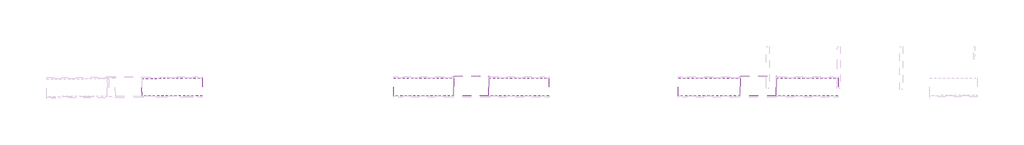
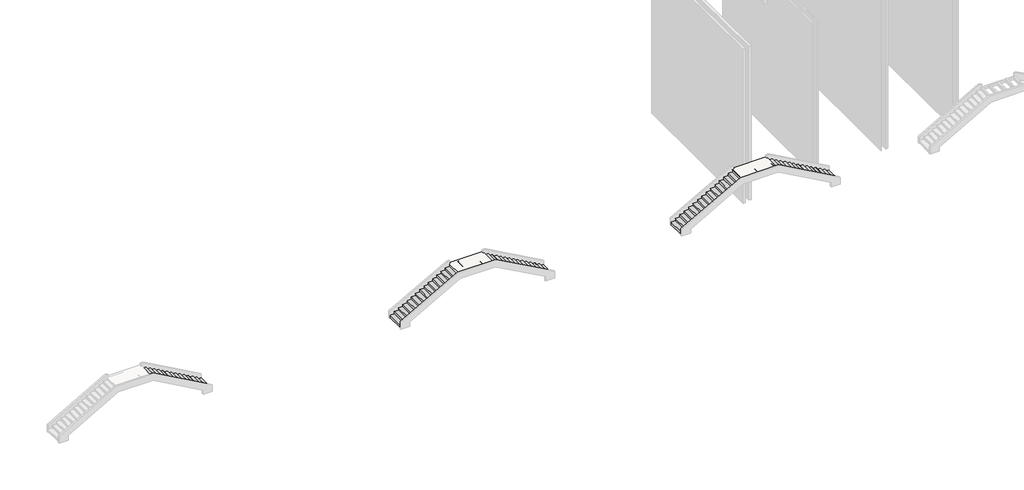
# One storey, part 2 of 9: 5 stair flights, 2 slabs.
"""IFC4 building model written with IfcOpenShell, lengths in millimetres."""

from ifc_helpers import new_model, si_unit, origin, place, context, project, spatial, faceted_brep, element, save

model = new_model("IFC4")

# Units and contexts
model_context = context("Model", 3, world=origin())
ifc_project = project(units=[si_unit("LENGTHUNIT", "METRE", prefix="MILLI")], contexts=[model_context])

# Site, building, storey
site = spatial("IfcSite", under=ifc_project)
building = spatial("IfcBuilding", under=site)
storey = spatial("IfcBuildingStorey", under=building, Elevation=-6062.0)

# Slabs
placement = place(None, origin())
element("IfcSlab", 1, at=placement, inside=storey, context=model_context, shape_type="Brep", body=[
    faceted_brep([(-75826.9262988, 101559.6583737, 20.875), (-75826.9262988, 100357.1127866, 20.875), (-75806.9262988, 100357.1127866, 20.875), (-73491.1832437, 100357.1127866, 20.875), (-73471.1832437, 100357.1127866, 20.875), (-73471.1832437, 101559.6583737, 20.875), (-73471.1832437, 101694.2237982, 20.875), (-75826.9262988, 101688.2107601, 20.875), (-73471.1832437, 100357.1127866, -161.125), (-73471.1832437, 101559.6583737, -161.125), (-73471.1832437, 101559.6583737, 0.875), (-75826.9262988, 101688.2107601, 0.875), (-75826.9262988, 101559.6583737, 0.875), (-75826.9262988, 100357.1127866, -161.125), (-75806.9262988, 100357.1127866, -161.125), (-75806.9262988, 100357.1127866, 0.875), (-73491.1832437, 100357.1127866, 0.875), (-73491.1832437, 100357.1127866, -161.125), (-73491.1832437, 101559.6583737, 0.875), (-75806.9262988, 101559.6583737, 0.875), (-73471.1832437, 101694.2237982, 0.875), (-73491.1832437, 101559.6583737, -161.125), (-75806.9262988, 101559.6583737, -161.125), (-75826.9262988, 101559.6583737, -161.125)], [[[0, 1, 2, 3, 4, 5, 6, 7]], [[5, 4, 8, 9, 10]], [[0, 7, 11, 12]], [[1, 13, 14, 15, 16, 17, 8, 4, 3, 2]], [[10, 18, 16, 15, 19, 12, 11, 20]], [[21, 18, 10, 9]], [[17, 21, 9, 8]], [[21, 17, 16, 18]], [[19, 22, 23, 12]], [[22, 14, 13, 23]], [[14, 22, 19, 15]], [[1, 0, 12, 23, 13]], [[6, 5, 10, 20]], [[7, 6, 20, 11]]]),
])
element("IfcSlab", 2, at=placement, inside=storey, context=model_context, shape_type="Brep", body=[
    faceted_brep([(-56508.2638137, 101559.6583737, 90.875), (-56508.2638137, 100357.1127866, 90.875), (-56488.2638137, 100357.1127866, 90.875), (-54112.5207586, 100357.1127866, 90.875), (-54092.5207586, 100357.1127866, 90.875), (-54092.5207586, 101559.6583737, 90.875), (-54092.5207586, 101688.8580527, 90.875), (-56508.2638137, 101684.782631, 90.875), (-54092.5207586, 100357.1127866, -95.7916667), (-54092.5207586, 101559.6583737, -95.7916667), (-54092.5207586, 101559.6583737, 70.875), (-56508.2638137, 101684.782631, 70.875), (-56508.2638137, 101559.6583737, 70.875), (-56508.2638137, 100357.1127866, -95.7916667), (-56488.2638137, 100357.1127866, -95.7916667), (-56488.2638137, 100357.1127866, 70.875), (-54112.5207586, 100357.1127866, 70.875), (-54112.5207586, 100357.1127866, -95.7916667), (-56488.2638137, 101559.6583737, 70.875), (-54092.5207586, 101688.8580527, 70.875), (-54112.5207586, 101559.6583737, 70.875), (-54112.5207586, 101559.6583737, -95.7916667), (-56488.2638137, 101559.6583737, -95.7916667), (-56508.2638137, 101559.6583737, -95.7916667)], [[[0, 1, 2, 3, 4, 5, 6, 7]], [[5, 4, 8, 9, 10]], [[0, 7, 11, 12]], [[1, 13, 14, 15, 16, 17, 8, 4, 3, 2]], [[18, 12, 11, 19, 10, 20, 16, 15]], [[21, 20, 10, 9]], [[17, 21, 9, 8]], [[21, 17, 16, 20]], [[18, 22, 23, 12]], [[22, 14, 13, 23]], [[14, 22, 18, 15]], [[1, 0, 12, 23, 13]], [[6, 5, 10, 19]], [[7, 6, 19, 11]]]),
])

# Stair flights
element("IfcStairFlight", 3, ObjectType="Rampa_Acciaio_2cm", at=placement, inside=storey, context=model_context, shape_type="Brep", body=[
    faceted_brep([(-79596.9262988, 101559.6583737, -2247.125), (-79886.9262988, 101559.6583737, -2247.125), (-79886.9262988, 100357.1127866, -2247.125), (-79596.9262988, 100357.1127866, -2247.125), (-79596.9262988, 101559.6583737, -2267.125), (-79866.9262988, 101559.6583737, -2267.125), (-79866.9262988, 101559.6583737, -2409.125), (-79886.9262988, 101559.6583737, -2409.125), (-79886.9262988, 100357.1127866, -2409.125), (-79866.9262988, 100357.1127866, -2409.125), (-79866.9262988, 100357.1127866, -2267.125), (-79596.9262988, 100357.1127866, -2267.125), (-79306.9262988, 101559.6583737, -2085.125), (-79596.9262988, 101559.6583737, -2085.125), (-79596.9262988, 100357.1127866, -2085.125), (-79306.9262988, 100357.1127866, -2085.125), (-79306.9262988, 101559.6583737, -2105.125), (-79576.9262988, 101559.6583737, -2105.125), (-79576.9262988, 101559.6583737, -2267.125), (-79576.9262988, 100357.1127866, -2267.125), (-79576.9262988, 100357.1127866, -2105.125), (-79306.9262988, 100357.1127866, -2105.125), (-79016.9262988, 101559.6583737, -1923.125), (-79306.9262988, 101559.6583737, -1923.125), (-79306.9262988, 100357.1127866, -1923.125), (-79016.9262988, 100357.1127866, -1923.125), (-79016.9262988, 101559.6583737, -1943.125), (-79286.9262988, 101559.6583737, -1943.125), (-79286.9262988, 101559.6583737, -2105.125), (-79286.9262988, 100357.1127866, -2105.125), (-79286.9262988, 100357.1127866, -1943.125), (-79016.9262988, 100357.1127866, -1943.125), (-78726.9262988, 101559.6583737, -1761.125), (-79016.9262988, 101559.6583737, -1761.125), (-79016.9262988, 100357.1127866, -1761.125), (-78726.9262988, 100357.1127866, -1761.125), (-78726.9262988, 101559.6583737, -1781.125), (-78996.9262988, 101559.6583737, -1781.125), (-78996.9262988, 101559.6583737, -1943.125), (-78996.9262988, 100357.1127866, -1943.125), (-78996.9262988, 100357.1127866, -1781.125), (-78726.9262988, 100357.1127866, -1781.125), (-78436.9262988, 101559.6583737, -1599.125), (-78726.9262988, 101559.6583737, -1599.125), (-78726.9262988, 100357.1127866, -1599.125), (-78436.9262988, 100357.1127866, -1599.125), (-78436.9262988, 101559.6583737, -1619.125), (-78706.9262988, 101559.6583737, -1619.125), (-78706.9262988, 101559.6583737, -1781.125), (-78706.9262988, 100357.1127866, -1781.125), (-78706.9262988, 100357.1127866, -1619.125), (-78436.9262988, 100357.1127866, -1619.125), (-78146.9262988, 101559.6583737, -1437.125), (-78436.9262988, 101559.6583737, -1437.125), (-78436.9262988, 100357.1127866, -1437.125), (-78146.9262988, 100357.1127866, -1437.125), (-78146.9262988, 101559.6583737, -1457.125), (-78416.9262988, 101559.6583737, -1457.125), (-78416.9262988, 101559.6583737, -1619.125), (-78416.9262988, 100357.1127866, -1619.125), (-78416.9262988, 100357.1127866, -1457.125), (-78146.9262988, 100357.1127866, -1457.125), (-77856.9262988, 101559.6583737, -1275.125), (-78146.9262988, 101559.6583737, -1275.125), (-78146.9262988, 100357.1127866, -1275.125), (-77856.9262988, 100357.1127866, -1275.125), (-77856.9262988, 101559.6583737, -1295.125), (-78126.9262988, 101559.6583737, -1295.125), (-78126.9262988, 101559.6583737, -1457.125), (-78126.9262988, 100357.1127866, -1457.125), (-78126.9262988, 100357.1127866, -1295.125), (-77856.9262988, 100357.1127866, -1295.125), (-77566.9262988, 101559.6583737, -1113.125), (-77856.9262988, 101559.6583737, -1113.125), (-77856.9262988, 100357.1127866, -1113.125), (-77566.9262988, 100357.1127866, -1113.125), (-77566.9262988, 101559.6583737, -1133.125), (-77836.9262988, 101559.6583737, -1133.125), (-77836.9262988, 101559.6583737, -1295.125), (-77836.9262988, 100357.1127866, -1295.125), (-77836.9262988, 100357.1127866, -1133.125), (-77566.9262988, 100357.1127866, -1133.125), (-77276.9262988, 101559.6583737, -951.125), (-77566.9262988, 101559.6583737, -951.125), (-77566.9262988, 100357.1127866, -951.125), (-77276.9262988, 100357.1127866, -951.125), (-77276.9262988, 101559.6583737, -971.125), (-77546.9262988, 101559.6583737, -971.125), (-77546.9262988, 101559.6583737, -1133.125), (-77546.9262988, 100357.1127866, -1133.125), (-77546.9262988, 100357.1127866, -971.125), (-77276.9262988, 100357.1127866, -971.125), (-76986.9262988, 101559.6583737, -789.125), (-77276.9262988, 101559.6583737, -789.125), (-77276.9262988, 100357.1127866, -789.125), (-76986.9262988, 100357.1127866, -789.125), (-76986.9262988, 101559.6583737, -809.125), (-77256.9262988, 101559.6583737, -809.125), (-77256.9262988, 101559.6583737, -971.125), (-77256.9262988, 100357.1127866, -971.125), (-77256.9262988, 100357.1127866, -809.125), (-76986.9262988, 100357.1127866, -809.125), (-76696.9262988, 101559.6583737, -627.125), (-76986.9262988, 101559.6583737, -627.125), (-76986.9262988, 100357.1127866, -627.125), (-76696.9262988, 100357.1127866, -627.125), (-76696.9262988, 101559.6583737, -647.125), (-76966.9262988, 101559.6583737, -647.125), (-76966.9262988, 101559.6583737, -809.125), (-76966.9262988, 100357.1127866, -809.125), (-76966.9262988, 100357.1127866, -647.125), (-76696.9262988, 100357.1127866, -647.125), (-76406.9262988, 101559.6583737, -465.125), (-76696.9262988, 101559.6583737, -465.125), (-76696.9262988, 100357.1127866, -465.125), (-76406.9262988, 100357.1127866, -465.125), (-76406.9262988, 101559.6583737, -485.125), (-76676.9262988, 101559.6583737, -485.125), (-76676.9262988, 101559.6583737, -647.125), (-76676.9262988, 100357.1127866, -647.125), (-76676.9262988, 100357.1127866, -485.125), (-76406.9262988, 100357.1127866, -485.125), (-76116.9262988, 101559.6583737, -303.125), (-76406.9262988, 101559.6583737, -303.125), (-76406.9262988, 100357.1127866, -303.125), (-76116.9262988, 100357.1127866, -303.125), (-76116.9262988, 101559.6583737, -323.125), (-76386.9262988, 101559.6583737, -323.125), (-76386.9262988, 101559.6583737, -485.125), (-76386.9262988, 100357.1127866, -485.125), (-76386.9262988, 100357.1127866, -323.125), (-76116.9262988, 100357.1127866, -323.125), (-76096.9262988, 101559.6583737, -323.125), (-76096.9262988, 100357.1127866, -323.125), (-76096.9262988, 101559.6583737, -161.125), (-76096.9262988, 100357.1127866, -161.125), (-75826.9262988, 101559.6583737, -141.125), (-76116.9262988, 101559.6583737, -141.125), (-76116.9262988, 100357.1127866, -141.125), (-75826.9262988, 100357.1127866, -141.125), (-75826.9262988, 101559.6583737, -161.125), (-75826.9262988, 100357.1127866, -161.125)], [[[0, 1, 2, 3]], [[1, 0, 4, 5, 6, 7]], [[2, 1, 7, 8]], [[3, 2, 8, 9, 10, 11]], [[12, 13, 14, 15]], [[13, 12, 16, 17, 18, 4, 0]], [[0, 3, 14, 13]], [[15, 14, 3, 11, 19, 20, 21]], [[22, 23, 24, 25]], [[23, 22, 26, 27, 28, 16, 12]], [[12, 15, 24, 23]], [[25, 24, 15, 21, 29, 30, 31]], [[32, 33, 34, 35]], [[33, 32, 36, 37, 38, 26, 22]], [[22, 25, 34, 33]], [[35, 34, 25, 31, 39, 40, 41]], [[42, 43, 44, 45]], [[43, 42, 46, 47, 48, 36, 32]], [[32, 35, 44, 43]], [[45, 44, 35, 41, 49, 50, 51]], [[52, 53, 54, 55]], [[53, 52, 56, 57, 58, 46, 42]], [[42, 45, 54, 53]], [[55, 54, 45, 51, 59, 60, 61]], [[62, 63, 64, 65]], [[63, 62, 66, 67, 68, 56, 52]], [[52, 55, 64, 63]], [[65, 64, 55, 61, 69, 70, 71]], [[72, 73, 74, 75]], [[73, 72, 76, 77, 78, 66, 62]], [[62, 65, 74, 73]], [[75, 74, 65, 71, 79, 80, 81]], [[82, 83, 84, 85]], [[83, 82, 86, 87, 88, 76, 72]], [[72, 75, 84, 83]], [[85, 84, 75, 81, 89, 90, 91]], [[92, 93, 94, 95]], [[93, 92, 96, 97, 98, 86, 82]], [[82, 85, 94, 93]], [[95, 94, 85, 91, 99, 100, 101]], [[102, 103, 104, 105]], [[103, 102, 106, 107, 108, 96, 92]], [[92, 95, 104, 103]], [[105, 104, 95, 101, 109, 110, 111]], [[112, 113, 114, 115]], [[113, 112, 116, 117, 118, 106, 102]], [[102, 105, 114, 113]], [[115, 114, 105, 111, 119, 120, 121]], [[122, 123, 124, 125]], [[123, 122, 126, 127, 128, 116, 112]], [[112, 115, 124, 123]], [[125, 124, 115, 121, 129, 130, 131]], [[8, 7, 6, 9]], [[5, 10, 9, 6]], [[18, 19, 11, 10, 5, 4]], [[19, 18, 17, 20]], [[28, 29, 21, 20, 17, 16]], [[29, 28, 27, 30]], [[38, 39, 31, 30, 27, 26]], [[39, 38, 37, 40]], [[48, 49, 41, 40, 37, 36]], [[49, 48, 47, 50]], [[58, 59, 51, 50, 47, 46]], [[59, 58, 57, 60]], [[68, 69, 61, 60, 57, 56]], [[69, 68, 67, 70]], [[78, 79, 71, 70, 67, 66]], [[79, 78, 77, 80]], [[88, 89, 81, 80, 77, 76]], [[89, 88, 87, 90]], [[98, 99, 91, 90, 87, 86]], [[99, 98, 97, 100]], [[108, 109, 101, 100, 97, 96]], [[109, 108, 107, 110]], [[118, 119, 111, 110, 107, 106]], [[119, 118, 117, 120]], [[128, 129, 121, 120, 117, 116]], [[129, 128, 127, 130]], [[132, 133, 131, 130, 127, 126]], [[133, 132, 134, 135]], [[136, 137, 138, 139]], [[137, 136, 140, 134, 132, 126, 122]], [[122, 125, 138, 137]], [[139, 138, 125, 131, 133, 135, 141]], [[136, 139, 141, 140]], [[135, 134, 140, 141]]]),
])
element("IfcStairFlight", 4, ObjectType="Rampa_Acciaio_2cm", at=placement, inside=storey, context=model_context, shape_type="Brep", body=[
    faceted_brep([(-69701.1832437, 100357.1127866, -2247.125), (-69411.1832437, 100357.1127866, -2247.125), (-69411.1832437, 101559.6583737, -2247.125), (-69701.1832437, 101559.6583737, -2247.125), (-69411.1832437, 101559.6583737, -2409.125), (-69431.1832437, 101559.6583737, -2409.125), (-69431.1832437, 101559.6583737, -2267.125), (-69701.1832437, 101559.6583737, -2267.125), (-69411.1832437, 100357.1127866, -2409.125), (-69701.1832437, 100357.1127866, -2267.125), (-69431.1832437, 100357.1127866, -2267.125), (-69431.1832437, 100357.1127866, -2409.125), (-69991.1832437, 100357.1127866, -2085.125), (-69701.1832437, 100357.1127866, -2085.125), (-69701.1832437, 101559.6583737, -2085.125), (-69991.1832437, 101559.6583737, -2085.125), (-69721.1832437, 101559.6583737, -2267.125), (-69721.1832437, 101559.6583737, -2105.125), (-69991.1832437, 101559.6583737, -2105.125), (-69991.1832437, 100357.1127866, -2105.125), (-69721.1832437, 100357.1127866, -2105.125), (-69721.1832437, 100357.1127866, -2267.125), (-70281.1832437, 100357.1127866, -1923.125), (-69991.1832437, 100357.1127866, -1923.125), (-69991.1832437, 101559.6583737, -1923.125), (-70281.1832437, 101559.6583737, -1923.125), (-70011.1832437, 101559.6583737, -2105.125), (-70011.1832437, 101559.6583737, -1943.125), (-70281.1832437, 101559.6583737, -1943.125), (-70281.1832437, 100357.1127866, -1943.125), (-70011.1832437, 100357.1127866, -1943.125), (-70011.1832437, 100357.1127866, -2105.125), (-70571.1832437, 100357.1127866, -1761.125), (-70281.1832437, 100357.1127866, -1761.125), (-70281.1832437, 101559.6583737, -1761.125), (-70571.1832437, 101559.6583737, -1761.125), (-70301.1832437, 101559.6583737, -1943.125), (-70301.1832437, 101559.6583737, -1781.125), (-70571.1832437, 101559.6583737, -1781.125), (-70571.1832437, 100357.1127866, -1781.125), (-70301.1832437, 100357.1127866, -1781.125), (-70301.1832437, 100357.1127866, -1943.125), (-70861.1832437, 100357.1127866, -1599.125), (-70571.1832437, 100357.1127866, -1599.125), (-70571.1832437, 101559.6583737, -1599.125), (-70861.1832437, 101559.6583737, -1599.125), (-70591.1832437, 101559.6583737, -1781.125), (-70591.1832437, 101559.6583737, -1619.125), (-70861.1832437, 101559.6583737, -1619.125), (-70861.1832437, 100357.1127866, -1619.125), (-70591.1832437, 100357.1127866, -1619.125), (-70591.1832437, 100357.1127866, -1781.125), (-71151.1832437, 100357.1127866, -1437.125), (-70861.1832437, 100357.1127866, -1437.125), (-70861.1832437, 101559.6583737, -1437.125), (-71151.1832437, 101559.6583737, -1437.125), (-70881.1832437, 101559.6583737, -1619.125), (-70881.1832437, 101559.6583737, -1457.125), (-71151.1832437, 101559.6583737, -1457.125), (-71151.1832437, 100357.1127866, -1457.125), (-70881.1832437, 100357.1127866, -1457.125), (-70881.1832437, 100357.1127866, -1619.125), (-71441.1832437, 100357.1127866, -1275.125), (-71151.1832437, 100357.1127866, -1275.125), (-71151.1832437, 101559.6583737, -1275.125), (-71441.1832437, 101559.6583737, -1275.125), (-71171.1832437, 101559.6583737, -1457.125), (-71171.1832437, 101559.6583737, -1295.125), (-71441.1832437, 101559.6583737, -1295.125), (-71441.1832437, 100357.1127866, -1295.125), (-71171.1832437, 100357.1127866, -1295.125), (-71171.1832437, 100357.1127866, -1457.125), (-71731.1832437, 100357.1127866, -1113.125), (-71441.1832437, 100357.1127866, -1113.125), (-71441.1832437, 101559.6583737, -1113.125), (-71731.1832437, 101559.6583737, -1113.125), (-71461.1832437, 101559.6583737, -1295.125), (-71461.1832437, 101559.6583737, -1133.125), (-71731.1832437, 101559.6583737, -1133.125), (-71731.1832437, 100357.1127866, -1133.125), (-71461.1832437, 100357.1127866, -1133.125), (-71461.1832437, 100357.1127866, -1295.125), (-72021.1832437, 100357.1127866, -951.125), (-71731.1832437, 100357.1127866, -951.125), (-71731.1832437, 101559.6583737, -951.125), (-72021.1832437, 101559.6583737, -951.125), (-71751.1832437, 101559.6583737, -1133.125), (-71751.1832437, 101559.6583737, -971.125), (-72021.1832437, 101559.6583737, -971.125), (-72021.1832437, 100357.1127866, -971.125), (-71751.1832437, 100357.1127866, -971.125), (-71751.1832437, 100357.1127866, -1133.125), (-72311.1832437, 100357.1127866, -789.125), (-72021.1832437, 100357.1127866, -789.125), (-72021.1832437, 101559.6583737, -789.125), (-72311.1832437, 101559.6583737, -789.125), (-72041.1832437, 101559.6583737, -971.125), (-72041.1832437, 101559.6583737, -809.125), (-72311.1832437, 101559.6583737, -809.125), (-72311.1832437, 100357.1127866, -809.125), (-72041.1832437, 100357.1127866, -809.125), (-72041.1832437, 100357.1127866, -971.125), (-72601.1832437, 100357.1127866, -627.125), (-72311.1832437, 100357.1127866, -627.125), (-72311.1832437, 101559.6583737, -627.125), (-72601.1832437, 101559.6583737, -627.125), (-72331.1832437, 101559.6583737, -809.125), (-72331.1832437, 101559.6583737, -647.125), (-72601.1832437, 101559.6583737, -647.125), (-72601.1832437, 100357.1127866, -647.125), (-72331.1832437, 100357.1127866, -647.125), (-72331.1832437, 100357.1127866, -809.125), (-72891.1832437, 100357.1127866, -465.125), (-72601.1832437, 100357.1127866, -465.125), (-72601.1832437, 101559.6583737, -465.125), (-72891.1832437, 101559.6583737, -465.125), (-72621.1832437, 101559.6583737, -647.125), (-72621.1832437, 101559.6583737, -485.125), (-72891.1832437, 101559.6583737, -485.125), (-72891.1832437, 100357.1127866, -485.125), (-72621.1832437, 100357.1127866, -485.125), (-72621.1832437, 100357.1127866, -647.125), (-73181.1832437, 100357.1127866, -303.125), (-72891.1832437, 100357.1127866, -303.125), (-72891.1832437, 101559.6583737, -303.125), (-73181.1832437, 101559.6583737, -303.125), (-72911.1832437, 101559.6583737, -485.125), (-72911.1832437, 101559.6583737, -323.125), (-73181.1832437, 101559.6583737, -323.125), (-73181.1832437, 100357.1127866, -323.125), (-72911.1832437, 100357.1127866, -323.125), (-72911.1832437, 100357.1127866, -485.125), (-73471.1832437, 100357.1127866, -141.125), (-73181.1832437, 100357.1127866, -141.125), (-73181.1832437, 101559.6583737, -141.125), (-73471.1832437, 101559.6583737, -141.125), (-73201.1832437, 101559.6583737, -323.125), (-73201.1832437, 101559.6583737, -161.125), (-73471.1832437, 101559.6583737, -161.125), (-73471.1832437, 100357.1127866, -161.125), (-73201.1832437, 100357.1127866, -161.125), (-73201.1832437, 100357.1127866, -323.125)], [[[0, 1, 2, 3]], [[3, 2, 4, 5, 6, 7]], [[2, 1, 8, 4]], [[1, 0, 9, 10, 11, 8]], [[12, 13, 14, 15]], [[15, 14, 3, 7, 16, 17, 18]], [[0, 3, 14, 13]], [[13, 12, 19, 20, 21, 9, 0]], [[22, 23, 24, 25]], [[25, 24, 15, 18, 26, 27, 28]], [[12, 15, 24, 23]], [[23, 22, 29, 30, 31, 19, 12]], [[32, 33, 34, 35]], [[35, 34, 25, 28, 36, 37, 38]], [[22, 25, 34, 33]], [[33, 32, 39, 40, 41, 29, 22]], [[42, 43, 44, 45]], [[45, 44, 35, 38, 46, 47, 48]], [[32, 35, 44, 43]], [[43, 42, 49, 50, 51, 39, 32]], [[52, 53, 54, 55]], [[55, 54, 45, 48, 56, 57, 58]], [[42, 45, 54, 53]], [[53, 52, 59, 60, 61, 49, 42]], [[62, 63, 64, 65]], [[65, 64, 55, 58, 66, 67, 68]], [[52, 55, 64, 63]], [[63, 62, 69, 70, 71, 59, 52]], [[72, 73, 74, 75]], [[75, 74, 65, 68, 76, 77, 78]], [[62, 65, 74, 73]], [[73, 72, 79, 80, 81, 69, 62]], [[82, 83, 84, 85]], [[85, 84, 75, 78, 86, 87, 88]], [[72, 75, 84, 83]], [[83, 82, 89, 90, 91, 79, 72]], [[92, 93, 94, 95]], [[95, 94, 85, 88, 96, 97, 98]], [[82, 85, 94, 93]], [[93, 92, 99, 100, 101, 89, 82]], [[102, 103, 104, 105]], [[105, 104, 95, 98, 106, 107, 108]], [[92, 95, 104, 103]], [[103, 102, 109, 110, 111, 99, 92]], [[112, 113, 114, 115]], [[115, 114, 105, 108, 116, 117, 118]], [[102, 105, 114, 113]], [[113, 112, 119, 120, 121, 109, 102]], [[122, 123, 124, 125]], [[125, 124, 115, 118, 126, 127, 128]], [[112, 115, 124, 123]], [[123, 122, 129, 130, 131, 119, 112]], [[4, 8, 11, 5]], [[132, 133, 134, 135]], [[135, 134, 125, 128, 136, 137, 138]], [[122, 125, 134, 133]], [[133, 132, 139, 140, 141, 129, 122]], [[132, 135, 138, 139]], [[10, 6, 5, 11]], [[21, 16, 7, 6, 10, 9]], [[16, 21, 20, 17]], [[31, 26, 18, 17, 20, 19]], [[26, 31, 30, 27]], [[41, 36, 28, 27, 30, 29]], [[36, 41, 40, 37]], [[51, 46, 38, 37, 40, 39]], [[46, 51, 50, 47]], [[61, 56, 48, 47, 50, 49]], [[56, 61, 60, 57]], [[71, 66, 58, 57, 60, 59]], [[66, 71, 70, 67]], [[81, 76, 68, 67, 70, 69]], [[76, 81, 80, 77]], [[91, 86, 78, 77, 80, 79]], [[86, 91, 90, 87]], [[101, 96, 88, 87, 90, 89]], [[96, 101, 100, 97]], [[111, 106, 98, 97, 100, 99]], [[106, 111, 110, 107]], [[121, 116, 108, 107, 110, 109]], [[116, 121, 120, 117]], [[131, 126, 118, 117, 120, 119]], [[126, 131, 130, 127]], [[141, 136, 128, 127, 130, 129]], [[136, 141, 140, 137]], [[137, 140, 139, 138]]]),
])
element("IfcStairFlight", 5, ObjectType="Rampa_Acciaio_2cm", at=placement, inside=storey, context=model_context, shape_type="Brep", body=[
    faceted_brep([(-60395.2638137, 101559.6583737, -2242.4583333), (-60694.2638137, 101559.6583737, -2242.4583333), (-60694.2638137, 100357.1127866, -2242.4583333), (-60395.2638137, 100357.1127866, -2242.4583333), (-60395.2638137, 101559.6583737, -2262.4583333), (-60674.2638137, 101559.6583737, -2262.4583333), (-60674.2638137, 101559.6583737, -2409.125), (-60694.2638137, 101559.6583737, -2409.125), (-60694.2638137, 100357.1127866, -2409.125), (-60674.2638137, 100357.1127866, -2409.125), (-60674.2638137, 100357.1127866, -2262.4583333), (-60395.2638137, 100357.1127866, -2262.4583333), (-60096.2638137, 101559.6583737, -2075.7916667), (-60395.2638137, 101559.6583737, -2075.7916667), (-60395.2638137, 100357.1127866, -2075.7916667), (-60096.2638137, 100357.1127866, -2075.7916667), (-60096.2638137, 101559.6583737, -2095.7916667), (-60375.2638137, 101559.6583737, -2095.7916667), (-60375.2638137, 101559.6583737, -2262.4583333), (-60375.2638137, 100357.1127866, -2262.4583333), (-60375.2638137, 100357.1127866, -2095.7916667), (-60096.2638137, 100357.1127866, -2095.7916667), (-59797.2638137, 101559.6583737, -1909.125), (-60096.2638137, 101559.6583737, -1909.125), (-60096.2638137, 100357.1127866, -1909.125), (-59797.2638137, 100357.1127866, -1909.125), (-59797.2638137, 101559.6583737, -1929.125), (-60076.2638137, 101559.6583737, -1929.125), (-60076.2638137, 101559.6583737, -2095.7916667), (-60076.2638137, 100357.1127866, -2095.7916667), (-60076.2638137, 100357.1127866, -1929.125), (-59797.2638137, 100357.1127866, -1929.125), (-59498.2638137, 101559.6583737, -1742.4583333), (-59797.2638137, 101559.6583737, -1742.4583333), (-59797.2638137, 100357.1127866, -1742.4583333), (-59498.2638137, 100357.1127866, -1742.4583333), (-59498.2638137, 101559.6583737, -1762.4583333), (-59777.2638137, 101559.6583737, -1762.4583333), (-59777.2638137, 101559.6583737, -1929.125), (-59777.2638137, 100357.1127866, -1929.125), (-59777.2638137, 100357.1127866, -1762.4583333), (-59498.2638137, 100357.1127866, -1762.4583333), (-59199.2638137, 101559.6583737, -1575.7916667), (-59498.2638137, 101559.6583737, -1575.7916667), (-59498.2638137, 100357.1127866, -1575.7916667), (-59199.2638137, 100357.1127866, -1575.7916667), (-59199.2638137, 101559.6583737, -1595.7916667), (-59478.2638137, 101559.6583737, -1595.7916667), (-59478.2638137, 101559.6583737, -1762.4583333), (-59478.2638137, 100357.1127866, -1762.4583333), (-59478.2638137, 100357.1127866, -1595.7916667), (-59199.2638137, 100357.1127866, -1595.7916667), (-58900.2638137, 101559.6583737, -1409.125), (-59199.2638137, 101559.6583737, -1409.125), (-59199.2638137, 100357.1127866, -1409.125), (-58900.2638137, 100357.1127866, -1409.125), (-58900.2638137, 101559.6583737, -1429.125), (-59179.2638137, 101559.6583737, -1429.125), (-59179.2638137, 101559.6583737, -1595.7916667), (-59179.2638137, 100357.1127866, -1595.7916667), (-59179.2638137, 100357.1127866, -1429.125), (-58900.2638137, 100357.1127866, -1429.125), (-58601.2638137, 101559.6583737, -1242.4583333), (-58900.2638137, 101559.6583737, -1242.4583333), (-58900.2638137, 100357.1127866, -1242.4583333), (-58601.2638137, 100357.1127866, -1242.4583333), (-58601.2638137, 101559.6583737, -1262.4583333), (-58880.2638137, 101559.6583737, -1262.4583333), (-58880.2638137, 101559.6583737, -1429.125), (-58880.2638137, 100357.1127866, -1429.125), (-58880.2638137, 100357.1127866, -1262.4583333), (-58601.2638137, 100357.1127866, -1262.4583333), (-58302.2638137, 101559.6583737, -1075.7916667), (-58601.2638137, 101559.6583737, -1075.7916667), (-58601.2638137, 100357.1127866, -1075.7916667), (-58302.2638137, 100357.1127866, -1075.7916667), (-58302.2638137, 101559.6583737, -1095.7916667), (-58581.2638137, 101559.6583737, -1095.7916667), (-58581.2638137, 101559.6583737, -1262.4583333), (-58581.2638137, 100357.1127866, -1262.4583333), (-58581.2638137, 100357.1127866, -1095.7916667), (-58302.2638137, 100357.1127866, -1095.7916667), (-58003.2638137, 101559.6583737, -909.125), (-58302.2638137, 101559.6583737, -909.125), (-58302.2638137, 100357.1127866, -909.125), (-58003.2638137, 100357.1127866, -909.125), (-58003.2638137, 101559.6583737, -929.125), (-58282.2638137, 101559.6583737, -929.125), (-58282.2638137, 101559.6583737, -1095.7916667), (-58282.2638137, 100357.1127866, -1095.7916667), (-58282.2638137, 100357.1127866, -929.125), (-58003.2638137, 100357.1127866, -929.125), (-57704.2638137, 101559.6583737, -742.4583333), (-58003.2638137, 101559.6583737, -742.4583333), (-58003.2638137, 100357.1127866, -742.4583333), (-57704.2638137, 100357.1127866, -742.4583333), (-57704.2638137, 101559.6583737, -762.4583333), (-57983.2638137, 101559.6583737, -762.4583333), (-57983.2638137, 101559.6583737, -929.125), (-57983.2638137, 100357.1127866, -929.125), (-57983.2638137, 100357.1127866, -762.4583333), (-57704.2638137, 100357.1127866, -762.4583333), (-57405.2638137, 101559.6583737, -575.7916667), (-57704.2638137, 101559.6583737, -575.7916667), (-57704.2638137, 100357.1127866, -575.7916667), (-57405.2638137, 100357.1127866, -575.7916667), (-57405.2638137, 101559.6583737, -595.7916667), (-57684.2638137, 101559.6583737, -595.7916667), (-57684.2638137, 101559.6583737, -762.4583333), (-57684.2638137, 100357.1127866, -762.4583333), (-57684.2638137, 100357.1127866, -595.7916667), (-57405.2638137, 100357.1127866, -595.7916667), (-57106.2638137, 101559.6583737, -409.125), (-57405.2638137, 101559.6583737, -409.125), (-57405.2638137, 100357.1127866, -409.125), (-57106.2638137, 100357.1127866, -409.125), (-57106.2638137, 101559.6583737, -429.125), (-57385.2638137, 101559.6583737, -429.125), (-57385.2638137, 101559.6583737, -595.7916667), (-57385.2638137, 100357.1127866, -595.7916667), (-57385.2638137, 100357.1127866, -429.125), (-57106.2638137, 100357.1127866, -429.125), (-56807.2638137, 101559.6583737, -242.4583333), (-57106.2638137, 101559.6583737, -242.4583333), (-57106.2638137, 100357.1127866, -242.4583333), (-56807.2638137, 100357.1127866, -242.4583333), (-56807.2638137, 101559.6583737, -262.4583333), (-57086.2638137, 101559.6583737, -262.4583333), (-57086.2638137, 101559.6583737, -429.125), (-57086.2638137, 100357.1127866, -429.125), (-57086.2638137, 100357.1127866, -262.4583333), (-56807.2638137, 100357.1127866, -262.4583333), (-56787.2638137, 101559.6583737, -262.4583333), (-56787.2638137, 100357.1127866, -262.4583333), (-56787.2638137, 101559.6583737, -95.7916667), (-56787.2638137, 100357.1127866, -95.7916667), (-56508.2638137, 101559.6583737, -75.7916667), (-56807.2638137, 101559.6583737, -75.7916667), (-56807.2638137, 100357.1127866, -75.7916667), (-56508.2638137, 100357.1127866, -75.7916667), (-56508.2638137, 101559.6583737, -95.7916667), (-56508.2638137, 100357.1127866, -95.7916667)], [[[0, 1, 2, 3]], [[1, 0, 4, 5, 6, 7]], [[2, 1, 7, 8]], [[3, 2, 8, 9, 10, 11]], [[12, 13, 14, 15]], [[13, 12, 16, 17, 18, 4, 0]], [[0, 3, 14, 13]], [[15, 14, 3, 11, 19, 20, 21]], [[22, 23, 24, 25]], [[23, 22, 26, 27, 28, 16, 12]], [[12, 15, 24, 23]], [[25, 24, 15, 21, 29, 30, 31]], [[32, 33, 34, 35]], [[33, 32, 36, 37, 38, 26, 22]], [[22, 25, 34, 33]], [[35, 34, 25, 31, 39, 40, 41]], [[42, 43, 44, 45]], [[43, 42, 46, 47, 48, 36, 32]], [[32, 35, 44, 43]], [[45, 44, 35, 41, 49, 50, 51]], [[52, 53, 54, 55]], [[53, 52, 56, 57, 58, 46, 42]], [[42, 45, 54, 53]], [[55, 54, 45, 51, 59, 60, 61]], [[62, 63, 64, 65]], [[63, 62, 66, 67, 68, 56, 52]], [[52, 55, 64, 63]], [[65, 64, 55, 61, 69, 70, 71]], [[72, 73, 74, 75]], [[73, 72, 76, 77, 78, 66, 62]], [[62, 65, 74, 73]], [[75, 74, 65, 71, 79, 80, 81]], [[82, 83, 84, 85]], [[83, 82, 86, 87, 88, 76, 72]], [[72, 75, 84, 83]], [[85, 84, 75, 81, 89, 90, 91]], [[92, 93, 94, 95]], [[93, 92, 96, 97, 98, 86, 82]], [[82, 85, 94, 93]], [[95, 94, 85, 91, 99, 100, 101]], [[102, 103, 104, 105]], [[103, 102, 106, 107, 108, 96, 92]], [[92, 95, 104, 103]], [[105, 104, 95, 101, 109, 110, 111]], [[112, 113, 114, 115]], [[113, 112, 116, 117, 118, 106, 102]], [[102, 105, 114, 113]], [[115, 114, 105, 111, 119, 120, 121]], [[122, 123, 124, 125]], [[123, 122, 126, 127, 128, 116, 112]], [[112, 115, 124, 123]], [[125, 124, 115, 121, 129, 130, 131]], [[8, 7, 6, 9]], [[5, 10, 9, 6]], [[18, 19, 11, 10, 5, 4]], [[19, 18, 17, 20]], [[28, 29, 21, 20, 17, 16]], [[29, 28, 27, 30]], [[38, 39, 31, 30, 27, 26]], [[39, 38, 37, 40]], [[48, 49, 41, 40, 37, 36]], [[49, 48, 47, 50]], [[58, 59, 51, 50, 47, 46]], [[59, 58, 57, 60]], [[68, 69, 61, 60, 57, 56]], [[69, 68, 67, 70]], [[78, 79, 71, 70, 67, 66]], [[79, 78, 77, 80]], [[88, 89, 81, 80, 77, 76]], [[89, 88, 87, 90]], [[98, 99, 91, 90, 87, 86]], [[99, 98, 97, 100]], [[108, 109, 101, 100, 97, 96]], [[109, 108, 107, 110]], [[118, 119, 111, 110, 107, 106]], [[119, 118, 117, 120]], [[128, 129, 121, 120, 117, 116]], [[129, 128, 127, 130]], [[132, 133, 131, 130, 127, 126]], [[133, 132, 134, 135]], [[136, 137, 138, 139]], [[137, 136, 140, 134, 132, 126, 122]], [[122, 125, 138, 137]], [[139, 138, 125, 131, 133, 135, 141]], [[136, 139, 141, 140]], [[135, 134, 140, 141]]]),
])
element("IfcStairFlight", 6, ObjectType="Rampa_Acciaio_2cm", at=placement, inside=storey, context=model_context, shape_type="Brep", body=[
    faceted_brep([(-50205.5207586, 100357.1127866, -2242.4583333), (-49906.5207586, 100357.1127866, -2242.4583333), (-49906.5207586, 101559.6583737, -2242.4583333), (-50205.5207586, 101559.6583737, -2242.4583333), (-49906.5207586, 101559.6583737, -2409.125), (-49926.5207586, 101559.6583737, -2409.125), (-49926.5207586, 101559.6583737, -2262.4583333), (-50205.5207586, 101559.6583737, -2262.4583333), (-49906.5207586, 100357.1127866, -2409.125), (-50205.5207586, 100357.1127866, -2262.4583333), (-49926.5207586, 100357.1127866, -2262.4583333), (-49926.5207586, 100357.1127866, -2409.125), (-50504.5207586, 100357.1127866, -2075.7916667), (-50205.5207586, 100357.1127866, -2075.7916667), (-50205.5207586, 101559.6583737, -2075.7916667), (-50504.5207586, 101559.6583737, -2075.7916667), (-50225.5207586, 101559.6583737, -2262.4583333), (-50225.5207586, 101559.6583737, -2095.7916667), (-50504.5207586, 101559.6583737, -2095.7916667), (-50504.5207586, 100357.1127866, -2095.7916667), (-50225.5207586, 100357.1127866, -2095.7916667), (-50225.5207586, 100357.1127866, -2262.4583333), (-50803.5207586, 100357.1127866, -1909.125), (-50504.5207586, 100357.1127866, -1909.125), (-50504.5207586, 101559.6583737, -1909.125), (-50803.5207586, 101559.6583737, -1909.125), (-50524.5207586, 101559.6583737, -2095.7916667), (-50524.5207586, 101559.6583737, -1929.125), (-50803.5207586, 101559.6583737, -1929.125), (-50803.5207586, 100357.1127866, -1929.125), (-50524.5207586, 100357.1127866, -1929.125), (-50524.5207586, 100357.1127866, -2095.7916667), (-51102.5207586, 100357.1127866, -1742.4583333), (-50803.5207586, 100357.1127866, -1742.4583333), (-50803.5207586, 101559.6583737, -1742.4583333), (-51102.5207586, 101559.6583737, -1742.4583333), (-50823.5207586, 101559.6583737, -1929.125), (-50823.5207586, 101559.6583737, -1762.4583333), (-51102.5207586, 101559.6583737, -1762.4583333), (-51102.5207586, 100357.1127866, -1762.4583333), (-50823.5207586, 100357.1127866, -1762.4583333), (-50823.5207586, 100357.1127866, -1929.125), (-51401.5207586, 100357.1127866, -1575.7916667), (-51102.5207586, 100357.1127866, -1575.7916667), (-51102.5207586, 101559.6583737, -1575.7916667), (-51401.5207586, 101559.6583737, -1575.7916667), (-51122.5207586, 101559.6583737, -1762.4583333), (-51122.5207586, 101559.6583737, -1595.7916667), (-51401.5207586, 101559.6583737, -1595.7916667), (-51401.5207586, 100357.1127866, -1595.7916667), (-51122.5207586, 100357.1127866, -1595.7916667), (-51122.5207586, 100357.1127866, -1762.4583333), (-51700.5207586, 100357.1127866, -1409.125), (-51401.5207586, 100357.1127866, -1409.125), (-51401.5207586, 101559.6583737, -1409.125), (-51700.5207586, 101559.6583737, -1409.125), (-51421.5207586, 101559.6583737, -1595.7916667), (-51421.5207586, 101559.6583737, -1429.125), (-51700.5207586, 101559.6583737, -1429.125), (-51700.5207586, 100357.1127866, -1429.125), (-51421.5207586, 100357.1127866, -1429.125), (-51421.5207586, 100357.1127866, -1595.7916667), (-51999.5207586, 100357.1127866, -1242.4583333), (-51700.5207586, 100357.1127866, -1242.4583333), (-51700.5207586, 101559.6583737, -1242.4583333), (-51999.5207586, 101559.6583737, -1242.4583333), (-51720.5207586, 101559.6583737, -1429.125), (-51720.5207586, 101559.6583737, -1262.4583333), (-51999.5207586, 101559.6583737, -1262.4583333), (-51999.5207586, 100357.1127866, -1262.4583333), (-51720.5207586, 100357.1127866, -1262.4583333), (-51720.5207586, 100357.1127866, -1429.125), (-52298.5207586, 100357.1127866, -1075.7916667), (-51999.5207586, 100357.1127866, -1075.7916667), (-51999.5207586, 101559.6583737, -1075.7916667), (-52298.5207586, 101559.6583737, -1075.7916667), (-52019.5207586, 101559.6583737, -1262.4583333), (-52019.5207586, 101559.6583737, -1095.7916667), (-52298.5207586, 101559.6583737, -1095.7916667), (-52298.5207586, 100357.1127866, -1095.7916667), (-52019.5207586, 100357.1127866, -1095.7916667), (-52019.5207586, 100357.1127866, -1262.4583333), (-52597.5207586, 100357.1127866, -909.125), (-52298.5207586, 100357.1127866, -909.125), (-52298.5207586, 101559.6583737, -909.125), (-52597.5207586, 101559.6583737, -909.125), (-52318.5207586, 101559.6583737, -1095.7916667), (-52318.5207586, 101559.6583737, -929.125), (-52597.5207586, 101559.6583737, -929.125), (-52597.5207586, 100357.1127866, -929.125), (-52318.5207586, 100357.1127866, -929.125), (-52318.5207586, 100357.1127866, -1095.7916667), (-52896.5207586, 100357.1127866, -742.4583333), (-52597.5207586, 100357.1127866, -742.4583333), (-52597.5207586, 101559.6583737, -742.4583333), (-52896.5207586, 101559.6583737, -742.4583333), (-52617.5207586, 101559.6583737, -929.125), (-52617.5207586, 101559.6583737, -762.4583333), (-52896.5207586, 101559.6583737, -762.4583333), (-52896.5207586, 100357.1127866, -762.4583333), (-52617.5207586, 100357.1127866, -762.4583333), (-52617.5207586, 100357.1127866, -929.125), (-53195.5207586, 100357.1127866, -575.7916667), (-52896.5207586, 100357.1127866, -575.7916667), (-52896.5207586, 101559.6583737, -575.7916667), (-53195.5207586, 101559.6583737, -575.7916667), (-52916.5207586, 101559.6583737, -762.4583333), (-52916.5207586, 101559.6583737, -595.7916667), (-53195.5207586, 101559.6583737, -595.7916667), (-53195.5207586, 100357.1127866, -595.7916667), (-52916.5207586, 100357.1127866, -595.7916667), (-52916.5207586, 100357.1127866, -762.4583333), (-53494.5207586, 100357.1127866, -409.125), (-53195.5207586, 100357.1127866, -409.125), (-53195.5207586, 101559.6583737, -409.125), (-53494.5207586, 101559.6583737, -409.125), (-53215.5207586, 101559.6583737, -595.7916667), (-53215.5207586, 101559.6583737, -429.125), (-53494.5207586, 101559.6583737, -429.125), (-53494.5207586, 100357.1127866, -429.125), (-53215.5207586, 100357.1127866, -429.125), (-53215.5207586, 100357.1127866, -595.7916667), (-53793.5207586, 100357.1127866, -242.4583333), (-53494.5207586, 100357.1127866, -242.4583333), (-53494.5207586, 101559.6583737, -242.4583333), (-53793.5207586, 101559.6583737, -242.4583333), (-53514.5207586, 101559.6583737, -429.125), (-53514.5207586, 101559.6583737, -262.4583333), (-53793.5207586, 101559.6583737, -262.4583333), (-53793.5207586, 100357.1127866, -262.4583333), (-53514.5207586, 100357.1127866, -262.4583333), (-53514.5207586, 100357.1127866, -429.125), (-54092.5207586, 100357.1127866, -75.7916667), (-53793.5207586, 100357.1127866, -75.7916667), (-53793.5207586, 101559.6583737, -75.7916667), (-54092.5207586, 101559.6583737, -75.7916667), (-53813.5207586, 101559.6583737, -262.4583333), (-53813.5207586, 101559.6583737, -95.7916667), (-54092.5207586, 101559.6583737, -95.7916667), (-54092.5207586, 100357.1127866, -95.7916667), (-53813.5207586, 100357.1127866, -95.7916667), (-53813.5207586, 100357.1127866, -262.4583333)], [[[0, 1, 2, 3]], [[3, 2, 4, 5, 6, 7]], [[2, 1, 8, 4]], [[1, 0, 9, 10, 11, 8]], [[12, 13, 14, 15]], [[15, 14, 3, 7, 16, 17, 18]], [[0, 3, 14, 13]], [[13, 12, 19, 20, 21, 9, 0]], [[22, 23, 24, 25]], [[25, 24, 15, 18, 26, 27, 28]], [[12, 15, 24, 23]], [[23, 22, 29, 30, 31, 19, 12]], [[32, 33, 34, 35]], [[35, 34, 25, 28, 36, 37, 38]], [[22, 25, 34, 33]], [[33, 32, 39, 40, 41, 29, 22]], [[42, 43, 44, 45]], [[45, 44, 35, 38, 46, 47, 48]], [[32, 35, 44, 43]], [[43, 42, 49, 50, 51, 39, 32]], [[52, 53, 54, 55]], [[55, 54, 45, 48, 56, 57, 58]], [[42, 45, 54, 53]], [[53, 52, 59, 60, 61, 49, 42]], [[62, 63, 64, 65]], [[65, 64, 55, 58, 66, 67, 68]], [[52, 55, 64, 63]], [[63, 62, 69, 70, 71, 59, 52]], [[72, 73, 74, 75]], [[75, 74, 65, 68, 76, 77, 78]], [[62, 65, 74, 73]], [[73, 72, 79, 80, 81, 69, 62]], [[82, 83, 84, 85]], [[85, 84, 75, 78, 86, 87, 88]], [[72, 75, 84, 83]], [[83, 82, 89, 90, 91, 79, 72]], [[92, 93, 94, 95]], [[95, 94, 85, 88, 96, 97, 98]], [[82, 85, 94, 93]], [[93, 92, 99, 100, 101, 89, 82]], [[102, 103, 104, 105]], [[105, 104, 95, 98, 106, 107, 108]], [[92, 95, 104, 103]], [[103, 102, 109, 110, 111, 99, 92]], [[112, 113, 114, 115]], [[115, 114, 105, 108, 116, 117, 118]], [[102, 105, 114, 113]], [[113, 112, 119, 120, 121, 109, 102]], [[122, 123, 124, 125]], [[125, 124, 115, 118, 126, 127, 128]], [[112, 115, 124, 123]], [[123, 122, 129, 130, 131, 119, 112]], [[4, 8, 11, 5]], [[132, 133, 134, 135]], [[135, 134, 125, 128, 136, 137, 138]], [[122, 125, 134, 133]], [[133, 132, 139, 140, 141, 129, 122]], [[132, 135, 138, 139]], [[10, 6, 5, 11]], [[21, 16, 7, 6, 10, 9]], [[16, 21, 20, 17]], [[31, 26, 18, 17, 20, 19]], [[26, 31, 30, 27]], [[41, 36, 28, 27, 30, 29]], [[36, 41, 40, 37]], [[51, 46, 38, 37, 40, 39]], [[46, 51, 50, 47]], [[61, 56, 48, 47, 50, 49]], [[56, 61, 60, 57]], [[71, 66, 58, 57, 60, 59]], [[66, 71, 70, 67]], [[81, 76, 68, 67, 70, 69]], [[76, 81, 80, 77]], [[91, 86, 78, 77, 80, 79]], [[86, 91, 90, 87]], [[101, 96, 88, 87, 90, 89]], [[96, 101, 100, 97]], [[111, 106, 98, 97, 100, 99]], [[106, 111, 110, 107]], [[121, 116, 108, 107, 110, 109]], [[116, 121, 120, 117]], [[131, 126, 118, 117, 120, 119]], [[126, 131, 130, 127]], [[141, 136, 128, 127, 130, 129]], [[136, 141, 140, 137]], [[137, 140, 139, 138]]]),
])
element("IfcStairFlight", 7, ObjectType="Rampa_Acciaio_2cm", at=placement, inside=storey, context=model_context, shape_type="Brep", body=[
    faceted_brep([(-93072.8421879, 100355.3337699, -2246.4583333), (-92781.8488964, 100357.3097007, -2246.4583333), (-92790.0143494, 101559.8275651, -2246.4583333), (-93081.0076409, 101557.8516343, -2246.4583333), (-92790.0143494, 101559.8275651, -2409.125), (-92810.0138884, 101559.6917623, -2409.125), (-92810.0138884, 101559.6917623, -2266.4583333), (-93081.0076409, 101557.8516343, -2266.4583333), (-92781.8488964, 100357.3097007, -2409.125), (-93072.8421879, 100355.3337699, -2266.4583333), (-92801.8484353, 100357.1738979, -2266.4583333), (-92801.8484353, 100357.1738979, -2409.125), (-93363.8354794, 100353.3578391, -2083.7916667), (-93072.8421879, 100355.3337699, -2083.7916667), (-93081.0076409, 101557.8516343, -2083.7916667), (-93372.0009324, 101555.8757036, -2083.7916667), (-93101.0071799, 101557.7158315, -2266.4583333), (-93101.0071799, 101557.7158315, -2103.7916667), (-93372.0009324, 101555.8757036, -2103.7916667), (-93363.8354794, 100353.3578391, -2103.7916667), (-93092.8417268, 100355.1979671, -2103.7916667), (-93092.8417268, 100355.1979671, -2266.4583333), (-93654.8287709, 100351.3819084, -1921.125), (-93363.8354794, 100353.3578391, -1921.125), (-93372.0009324, 101555.8757036, -1921.125), (-93662.9942239, 101553.8997728, -1921.125), (-93392.0004714, 101555.7399008, -2103.7916667), (-93392.0004714, 101555.7399008, -1941.125), (-93662.9942239, 101553.8997728, -1941.125), (-93654.8287709, 100351.3819084, -1941.125), (-93383.8350183, 100353.2220363, -1941.125), (-93383.8350183, 100353.2220363, -2103.7916667), (-93945.8220624, 100349.4059776, -1758.4583333), (-93654.8287709, 100351.3819084, -1758.4583333), (-93662.9942239, 101553.8997728, -1758.4583333), (-93953.9875154, 101551.923842, -1758.4583333), (-93682.9937629, 101553.76397, -1941.125), (-93682.9937629, 101553.76397, -1778.4583333), (-93953.9875154, 101551.923842, -1778.4583333), (-93945.8220624, 100349.4059776, -1778.4583333), (-93674.8283098, 100351.2461056, -1778.4583333), (-93674.8283098, 100351.2461056, -1941.125), (-94236.8153539, 100347.4300468, -1595.7916667), (-93945.8220624, 100349.4059776, -1595.7916667), (-93953.9875154, 101551.923842, -1595.7916667), (-94244.9808069, 101549.9479112, -1595.7916667), (-93973.9870544, 101551.7880392, -1778.4583333), (-93973.9870544, 101551.7880392, -1615.7916667), (-94244.9808069, 101549.9479112, -1615.7916667), (-94236.8153539, 100347.4300468, -1615.7916667), (-93965.8216013, 100349.2701748, -1615.7916667), (-93965.8216013, 100349.2701748, -1778.4583333), (-94527.8086454, 100345.454116, -1433.125), (-94236.8153539, 100347.4300468, -1433.125), (-94244.9808069, 101549.9479112, -1433.125), (-94535.9740984, 101547.9719804, -1433.125), (-94264.9803459, 101549.8121084, -1615.7916667), (-94264.9803459, 101549.8121084, -1453.125), (-94535.9740984, 101547.9719804, -1453.125), (-94527.8086454, 100345.454116, -1453.125), (-94256.8148928, 100347.294244, -1453.125), (-94256.8148928, 100347.294244, -1615.7916667), (-94818.8019369, 100343.4781852, -1270.4583333), (-94527.8086454, 100345.454116, -1270.4583333), (-94535.9740984, 101547.9719804, -1270.4583333), (-94826.9673899, 101545.9960496, -1270.4583333), (-94555.9736374, 101547.8361776, -1453.125), (-94555.9736374, 101547.8361776, -1290.4583333), (-94826.9673899, 101545.9960496, -1290.4583333), (-94818.8019369, 100343.4781852, -1290.4583333), (-94547.8081843, 100345.3183132, -1290.4583333), (-94547.8081843, 100345.3183132, -1453.125), (-95109.7952284, 100341.5022544, -1107.7916667), (-94818.8019369, 100343.4781852, -1107.7916667), (-94826.9673899, 101545.9960496, -1107.7916667), (-95117.9606814, 101544.0201189, -1107.7916667), (-94846.9669289, 101545.8602468, -1290.4583333), (-94846.9669289, 101545.8602468, -1127.7916667), (-95117.9606814, 101544.0201189, -1127.7916667), (-95109.7952284, 100341.5022544, -1127.7916667), (-94838.8014758, 100343.3423824, -1127.7916667), (-94838.8014758, 100343.3423824, -1290.4583333), (-95400.7885199, 100339.5263237, -945.125), (-95109.7952284, 100341.5022544, -945.125), (-95117.9606814, 101544.0201189, -945.125), (-95408.9539729, 101542.0441881, -945.125), (-95137.9602204, 101543.8843161, -1127.7916667), (-95137.9602204, 101543.8843161, -965.125), (-95408.9539729, 101542.0441881, -965.125), (-95400.7885199, 100339.5263237, -965.125), (-95129.7947673, 100341.3664516, -965.125), (-95129.7947673, 100341.3664516, -1127.7916667), (-95691.7818114, 100337.5503929, -782.4583333), (-95400.7885199, 100339.5263237, -782.4583333), (-95408.9539729, 101542.0441881, -782.4583333), (-95699.9472644, 101540.0682573, -782.4583333), (-95428.9535119, 101541.9083853, -965.125), (-95428.9535119, 101541.9083853, -802.4583333), (-95699.9472644, 101540.0682573, -802.4583333), (-95691.7818114, 100337.5503929, -802.4583333), (-95420.7880588, 100339.3905209, -802.4583333), (-95420.7880588, 100339.3905209, -965.125), (-95982.7751029, 100335.5744621, -619.7916667), (-95691.7818114, 100337.5503929, -619.7916667), (-95699.9472644, 101540.0682573, -619.7916667), (-95990.9405559, 101538.0923265, -619.7916667), (-95719.9468034, 101539.9324545, -802.4583333), (-95719.9468034, 101539.9324545, -639.7916667), (-95990.9405559, 101538.0923265, -639.7916667), (-95982.7751029, 100335.5744621, -639.7916667), (-95711.7813503, 100337.4145901, -639.7916667), (-95711.7813503, 100337.4145901, -802.4583333), (-96273.7683944, 100333.5985313, -457.125), (-95982.7751029, 100335.5744621, -457.125), (-95990.9405559, 101538.0923265, -457.125), (-96281.9338474, 101536.1163957, -457.125), (-96010.9400949, 101537.9565237, -639.7916667), (-96010.9400949, 101537.9565237, -477.125), (-96281.9338474, 101536.1163957, -477.125), (-96273.7683944, 100333.5985313, -477.125), (-96002.7746418, 100335.4386593, -477.125), (-96002.7746418, 100335.4386593, -639.7916667), (-96564.7616859, 100331.6226005, -294.4583333), (-96273.7683944, 100333.5985313, -294.4583333), (-96281.9338474, 101536.1163957, -294.4583333), (-96572.9271389, 101534.1404649, -294.4583333), (-96301.9333864, 101535.9805929, -477.125), (-96301.9333864, 101535.9805929, -314.4583333), (-96572.9271389, 101534.1404649, -314.4583333), (-96564.7616859, 100331.6226005, -314.4583333), (-96293.7679333, 100333.4627285, -314.4583333), (-96293.7679333, 100333.4627285, -477.125), (-96855.7549774, 100329.6466697, -131.7916667), (-96564.7616859, 100331.6226005, -131.7916667), (-96572.9271389, 101534.1404649, -131.7916667), (-96863.9204304, 101532.1645341, -131.7916667), (-96592.9266779, 101534.0046621, -314.4583333), (-96592.9266779, 101534.0046621, -151.7916667), (-96863.9204304, 101532.1645341, -151.7916667), (-96855.7549774, 100329.6466697, -151.7916667), (-96584.7612248, 100331.4867977, -151.7916667), (-96584.7612248, 100331.4867977, -314.4583333)], [[[0, 1, 2, 3]], [[3, 2, 4, 5, 6, 7]], [[2, 1, 8, 4]], [[1, 0, 9, 10, 11, 8]], [[12, 13, 14, 15]], [[15, 14, 3, 7, 16, 17, 18]], [[0, 3, 14, 13]], [[13, 12, 19, 20, 21, 9, 0]], [[22, 23, 24, 25]], [[25, 24, 15, 18, 26, 27, 28]], [[12, 15, 24, 23]], [[23, 22, 29, 30, 31, 19, 12]], [[32, 33, 34, 35]], [[35, 34, 25, 28, 36, 37, 38]], [[22, 25, 34, 33]], [[33, 32, 39, 40, 41, 29, 22]], [[42, 43, 44, 45]], [[45, 44, 35, 38, 46, 47, 48]], [[32, 35, 44, 43]], [[43, 42, 49, 50, 51, 39, 32]], [[52, 53, 54, 55]], [[55, 54, 45, 48, 56, 57, 58]], [[42, 45, 54, 53]], [[53, 52, 59, 60, 61, 49, 42]], [[62, 63, 64, 65]], [[65, 64, 55, 58, 66, 67, 68]], [[52, 55, 64, 63]], [[63, 62, 69, 70, 71, 59, 52]], [[72, 73, 74, 75]], [[75, 74, 65, 68, 76, 77, 78]], [[62, 65, 74, 73]], [[73, 72, 79, 80, 81, 69, 62]], [[82, 83, 84, 85]], [[85, 84, 75, 78, 86, 87, 88]], [[72, 75, 84, 83]], [[83, 82, 89, 90, 91, 79, 72]], [[92, 93, 94, 95]], [[95, 94, 85, 88, 96, 97, 98]], [[82, 85, 94, 93]], [[93, 92, 99, 100, 101, 89, 82]], [[102, 103, 104, 105]], [[105, 104, 95, 98, 106, 107, 108]], [[92, 95, 104, 103]], [[103, 102, 109, 110, 111, 99, 92]], [[112, 113, 114, 115]], [[115, 114, 105, 108, 116, 117, 118]], [[102, 105, 114, 113]], [[113, 112, 119, 120, 121, 109, 102]], [[122, 123, 124, 125]], [[125, 124, 115, 118, 126, 127, 128]], [[112, 115, 124, 123]], [[123, 122, 129, 130, 131, 119, 112]], [[4, 8, 11, 5]], [[132, 133, 134, 135]], [[135, 134, 125, 128, 136, 137, 138]], [[122, 125, 134, 133]], [[133, 132, 139, 140, 141, 129, 122]], [[132, 135, 138, 139]], [[10, 6, 5, 11]], [[21, 16, 7, 6, 10, 9]], [[16, 21, 20, 17]], [[31, 26, 18, 17, 20, 19]], [[26, 31, 30, 27]], [[41, 36, 28, 27, 30, 29]], [[36, 41, 40, 37]], [[51, 46, 38, 37, 40, 39]], [[46, 51, 50, 47]], [[61, 56, 48, 47, 50, 49]], [[56, 61, 60, 57]], [[71, 66, 58, 57, 60, 59]], [[66, 71, 70, 67]], [[81, 76, 68, 67, 70, 69]], [[76, 81, 80, 77]], [[91, 86, 78, 77, 80, 79]], [[86, 91, 90, 87]], [[101, 96, 88, 87, 90, 89]], [[96, 101, 100, 97]], [[111, 106, 98, 97, 100, 99]], [[106, 111, 110, 107]], [[121, 116, 108, 107, 110, 109]], [[116, 121, 120, 117]], [[131, 126, 118, 117, 120, 119]], [[126, 131, 130, 127]], [[141, 136, 128, 127, 130, 129]], [[136, 141, 140, 137]], [[137, 140, 139, 138]]]),
])

save(model, "model.ifc")
